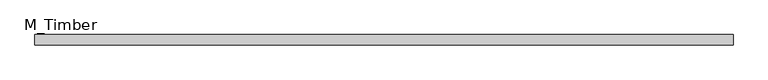
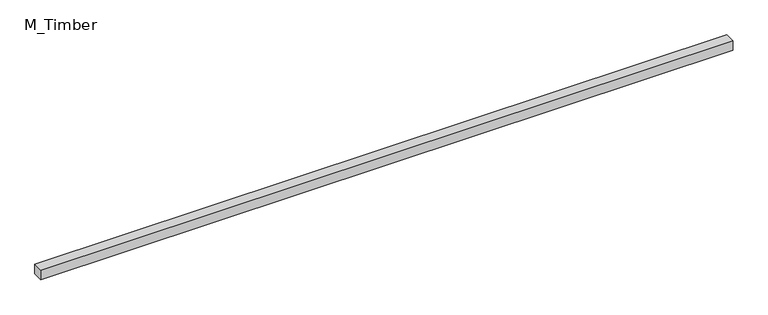
"""IFC4 building model written with IfcOpenShell, lengths in millimetres: beam geometry, M_Timber."""

from ifc_helpers import new_model, si_unit, frame, origin, place, context, project, spatial, polyline, outline, extrude, source, transform, mapped, element, save


def m_timber_159e3ad0(model_context):
    return source(origin(), model_context, "Body", "SweptSolid", [
        extrude(outline(polyline([(1360.34035, 20.0), (1360.34035, -20.0), (-1360.34035, -20.0), (-1360.34035, 20.0), (1360.34035, 20.0)])), frame((0.0, 0.0, -20.0), z_axis=(0.0, 0.0, 1.0), x_axis=(1.0, 0.0, 0.0)), (0.0, 0.0, 1.0), 40.0),
    ])


if __name__ == "__main__":
    model = new_model("IFC4")
    model_context = context("Model", 3, world=origin())
    ifc_project = project(units=[si_unit("LENGTHUNIT", "METRE", prefix="MILLI")], contexts=[model_context])
    site = spatial("IfcSite", under=ifc_project)
    building = spatial("IfcBuilding", under=site)
    placement = place(None, origin())
    m_timber_shape = m_timber_159e3ad0(model_context)
    element("IfcBeam", 1, ObjectType="M_Timber", at=placement, inside=building, context=model_context, shape_type="MappedRepresentation", body=[
        mapped(m_timber_shape, transform((0.0, 0.0, 0.0), x_axis=(1.0, 0.0, 0.0), y_axis=(0.0, 1.0, 0.0), z_axis=(0.0, 0.0, 1.0))),
    ])
    save(model, "model.ifc")
